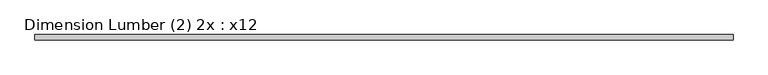
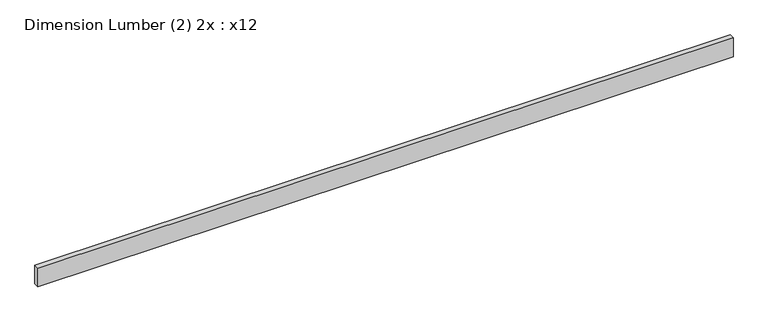
"""IFC4 building model written with IfcOpenShell, lengths in millimetres: beam geometry, Dimension Lumber (2) 2x : x12."""

from ifc_helpers import new_model, si_unit, frame, origin, place, context, project, spatial, polyline, outline, extrude, source, transform, mapped, element, save


def dimension_lumber_2_2x_x12_fd5403bb(model_context):
    return source(origin(), model_context, "Body", "SweptSolid", [
        extrude(outline(polyline([(4999.4148949, 38.1), (4999.4148949, -38.1), (-4999.4148949, -38.1), (-4999.4148949, 38.1), (4999.4148949, 38.1)])), frame((0.0, 0.0, -142.875), z_axis=(0.0, 0.0, 1.0), x_axis=(1.0, 0.0, 0.0)), (0.0, 0.0, 1.0), 285.75),
    ])


if __name__ == "__main__":
    model = new_model("IFC4")
    model_context = context("Model", 3, world=origin())
    ifc_project = project(units=[si_unit("LENGTHUNIT", "METRE", prefix="MILLI")], contexts=[model_context])
    site = spatial("IfcSite", under=ifc_project)
    building = spatial("IfcBuilding", under=site)
    placement = place(None, origin())
    dimension_lumber_2_2x_x12_shape = dimension_lumber_2_2x_x12_fd5403bb(model_context)
    element("IfcBeam", 1, ObjectType="Dimension Lumber (2) 2x : x12", at=placement, inside=building, context=model_context, shape_type="MappedRepresentation", body=[
        mapped(dimension_lumber_2_2x_x12_shape, transform((0.0, 0.0, 0.0), x_axis=(1.0, 0.0, 0.0), y_axis=(0.0, 1.0, 0.0), z_axis=(0.0, 0.0, 1.0))),
    ])
    save(model, "model.ifc")
